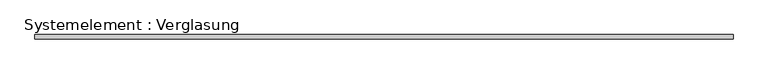
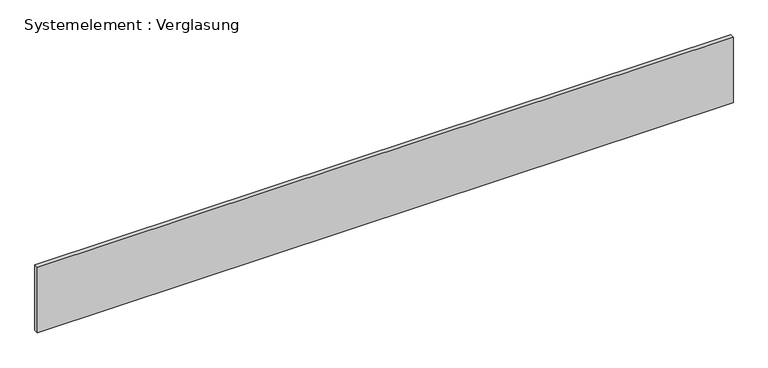
"""IFC4 building model written with IfcOpenShell, lengths in millimetres: plate geometry, Systemelement : Verglasung."""

import ifcopenshell
import ifcopenshell.guid

model = None  # the IFC model being written
_history = None  # IfcOwnerHistory: only IFC2X3 demands one
_inside = {}  # id of a spatial element -> (the spatial element, [elements in it])
_under = {}  # id of a project, library or spatial element -> (it, [spatial elements below it])
_declared = {}  # id of a project -> (the project, [libraries it declares])
_typed = {}  # id of a type object -> (the type object, [elements of that type])
_made_of = {}  # id of a material, layer set ... -> (it, [elements and type objects made of it])


def new_model(schema):
    """Start an empty IFC model of exactly this schema.

    Asked for "IFC4X3", IfcOpenShell would pick the latest addendum, in which some entities
    have other attributes; the version numbers below select the first issue.
    IFC2X3 requires an IfcOwnerHistory on every rooted entity: one is made here for all.
    """
    global model, _history
    if schema == "IFC4X3":
        model = ifcopenshell.file(schema_version=(4, 3, 0, 0))
    else:
        model = ifcopenshell.file(schema=schema)
    _inside.clear()
    _under.clear()
    _declared.clear()
    _typed.clear()
    _made_of.clear()
    _history = None
    if model.schema == "IFC2X3":
        org = make("IfcOrganization", Name="unknown")
        user = make(
            "IfcPersonAndOrganization",
            ThePerson=make("IfcPerson", FamilyName="unknown"),
            TheOrganization=org,
        )
        app = make(
            "IfcApplication",
            ApplicationDeveloper=org,
            Version="unknown",
            ApplicationFullName="unknown",
            ApplicationIdentifier="unknown",
        )
        _history = make(
            "IfcOwnerHistory",
            OwningUser=user,
            OwningApplication=app,
            ChangeAction="ADDED",
            CreationDate=0,
        )
    return model


def make(cls, **values):
    """One entity of the class cls with the attributes given. An attribute that is None is left unset."""
    return model.create_entity(
        cls, **{name: value for name, value in values.items() if value is not None}
    )


def rooted(cls, **values):
    """An entity with a GlobalId (a new one), such as an element, a storey or a relation."""
    return make(cls, GlobalId=ifcopenshell.guid.new(), OwnerHistory=_history, **values)


def si_unit(unit_type, name, prefix=None):
    """IfcSIUnit, for example si_unit("LENGTHUNIT", "METRE", prefix="MILLI")."""
    return make("IfcSIUnit", UnitType=unit_type, Prefix=prefix, Name=name)


def assignment(units):
    """IfcUnitAssignment: the units of a project."""
    return None if units is None else make("IfcUnitAssignment", Units=units)


def point(xyz):
    """IfcCartesianPoint."""
    return None if xyz is None else make("IfcCartesianPoint", Coordinates=xyz)


def direction(xyz):
    """IfcDirection."""
    return None if xyz is None else make("IfcDirection", DirectionRatios=xyz)


def frame(location, z_axis=None, x_axis=None):
    """IfcAxis2Placement3D, a coordinate frame: its origin and axes. An axis left out is left unset."""
    return make(
        "IfcAxis2Placement3D",
        Location=point(location),
        Axis=direction(z_axis),
        RefDirection=direction(x_axis),
    )


def origin():
    """The frame at (0, 0, 0) with its axes left unset."""
    return frame((0.0, 0.0, 0.0))


def origin_with_axes():
    """The frame at (0, 0, 0) with the z axis (0, 0, 1) and the x axis (1, 0, 0) written out."""
    return frame((0.0, 0.0, 0.0), z_axis=(0.0, 0.0, 1.0), x_axis=(1.0, 0.0, 0.0))


def place(relative_to, where):
    """IfcLocalPlacement: puts the frame where relative to a parent placement (None: the world)."""
    return make(
        "IfcLocalPlacement", PlacementRelTo=relative_to, RelativePlacement=where
    )


def context(
    kind, dimensions, precision=None, world=None, true_north=None, identifier=None
):
    """IfcGeometricRepresentationContext, for example the 3D "Model" context."""
    return make(
        "IfcGeometricRepresentationContext",
        ContextIdentifier=identifier,
        ContextType=kind,
        CoordinateSpaceDimension=dimensions,
        Precision=precision,
        WorldCoordinateSystem=world,
        TrueNorth=true_north,
    )


def project(units=None, contexts=None):
    """IfcProject with its units and contexts."""
    return rooted(
        "IfcProject",
        Name="project",
        RepresentationContexts=contexts,
        UnitsInContext=assignment(units),
    )


def spatial(cls, under=None, at=None, **own):
    """A site, building, storey or space (cls), placed at a placement, below another one or the project."""
    s = rooted(cls, ObjectPlacement=at, **own)
    if under is not None:
        _under.setdefault(under.id(), (under, []))[1].append(s)
    return s


def polyline(points):
    """IfcPolyline through the points."""
    return make("IfcPolyline", Points=[point(p) for p in points])


def outline(outer, holes=None, kind="AREA"):
    """IfcArbitraryClosedProfileDef: a profile drawn as a closed curve; with holes, ...WithVoids."""
    if holes is None:
        return make("IfcArbitraryClosedProfileDef", ProfileType=kind, OuterCurve=outer)
    return make(
        "IfcArbitraryProfileDefWithVoids",
        ProfileType=kind,
        OuterCurve=outer,
        InnerCurves=holes,
    )


def extrude(swept, where, along, depth):
    """IfcExtrudedAreaSolid: the profile swept, set in the frame where, extruded along a direction by depth."""
    return make(
        "IfcExtrudedAreaSolid",
        SweptArea=swept,
        Position=where,
        ExtrudedDirection=direction(along),
        Depth=depth,
    )


def shape(context_of_items, identifier, shape_type, items):
    """IfcShapeRepresentation: the items that make up one representation, for example the "Body"."""
    return make(
        "IfcShapeRepresentation",
        ContextOfItems=context_of_items,
        RepresentationIdentifier=identifier,
        RepresentationType=shape_type,
        Items=items,
    )


def source(mapping_origin, context_of_items, identifier, shape_type, items):
    """IfcRepresentationMap: a shape defined once, which mapped items show again and again."""
    return make(
        "IfcRepresentationMap",
        MappingOrigin=mapping_origin,
        MappedRepresentation=shape(context_of_items, identifier, shape_type, items),
    )


def transform(
    local_origin,
    x_axis=None,
    y_axis=None,
    z_axis=None,
    scale=None,
    scale2=None,
    scale3=None,
    uniform=True,
):
    """IfcCartesianTransformationOperator3D, or its non-uniform kind. x_axis, y_axis, z_axis: its Axis1, 2, 3."""
    if uniform:
        return make(
            "IfcCartesianTransformationOperator3D",
            Axis1=direction(x_axis),
            Axis2=direction(y_axis),
            LocalOrigin=point(local_origin),
            Scale=scale,
            Axis3=direction(z_axis),
        )
    return make(
        "IfcCartesianTransformationOperator3DnonUniform",
        Axis1=direction(x_axis),
        Axis2=direction(y_axis),
        LocalOrigin=point(local_origin),
        Scale=scale,
        Axis3=direction(z_axis),
        Scale2=scale2,
        Scale3=scale3,
    )


def mapped(mapping_source, mapping_target):
    """IfcMappedItem: shows the shape of a source again, moved by a transform."""
    return make(
        "IfcMappedItem", MappingSource=mapping_source, MappingTarget=mapping_target
    )


def made_of(thing, what):
    """Note that an element or type object is made of a material, layer set ...; save() writes the relation."""
    if what is not None:
        _made_of.setdefault(what.id(), (what, []))[1].append(thing)
    return thing


def element(
    cls,
    number,
    at=None,
    inside=None,
    cuts=None,
    type_object=None,
    material=None,
    context=None,
    identifier="Body",
    shape_type=None,
    held_by="IfcProductDefinitionShape",
    body=None,
    shapes=None,
    **own,
):
    """One element of the class cls, such as IfcWall. Its Tag is "e" and its number.

    at: its placement. inside: the storey or other place that contains it. cuts: it is an
    opening in that element (IfcRelVoidsElement). A single representation is given by context,
    identifier, shape_type and body (its items); several are given by shapes. held_by: the class
    of the entity that holds the representations. save() writes the other relations.
    """
    e = rooted(cls, Tag="e%d" % number, ObjectPlacement=at, **own)
    if body is not None:
        shapes = [shape(context, identifier, shape_type, body)]
    if shapes is not None:
        e.Representation = make(held_by, Representations=shapes)
    if inside is not None:
        _inside.setdefault(inside.id(), (inside, []))[1].append(e)
    if cuts is not None:
        rooted(
            "IfcRelVoidsElement", RelatingBuildingElement=cuts, RelatedOpeningElement=e
        )
    if type_object is not None:
        _typed.setdefault(type_object.id(), (type_object, []))[1].append(e)
    return made_of(e, material)


def aggregate(whole, parts):
    """IfcRelAggregates: a whole, such as a stair, and the parts it consists of."""
    return rooted("IfcRelAggregates", RelatingObject=whole, RelatedObjects=parts)


def save(model, path):
    """Write the relations noted so far, then the file.

    IfcRelAggregates (storeys below a building ...), IfcRelContainedInSpatialStructure (elements
    in a storey), IfcRelDefinesByType, IfcRelAssociatesMaterial and IfcRelDeclares: one each for
    every whole, place, type object, material and project.
    """
    for whole, parts in _under.values():
        aggregate(whole, parts)
    for where, things in _inside.values():
        rooted(
            "IfcRelContainedInSpatialStructure",
            RelatedElements=things,
            RelatingStructure=where,
        )
    for kind, things in _typed.values():
        rooted("IfcRelDefinesByType", RelatedObjects=things, RelatingType=kind)
    for what, things in _made_of.values():
        rooted("IfcRelAssociatesMaterial", RelatedObjects=things, RelatingMaterial=what)
    for by, libraries in _declared.values():
        rooted("IfcRelDeclares", RelatingContext=by, RelatedDefinitions=libraries)
    model.write(path)


def systemelement_verglasung_2ce12d81(model_context):
    return source(origin(), model_context, "Body", "SweptSolid", [
        extrude(outline(polyline([(2479.9999997, -15.0), (-2479.9999997, -15.0), (-2479.9999997, 15.0), (2479.9999997, 15.0), (2479.9999997, -15.0)])), origin_with_axes(), (0.0, 0.0, 1.0), 495.0),
    ])


if __name__ == "__main__":
    model = new_model("IFC4")
    model_context = context("Model", 3, world=origin())
    ifc_project = project(units=[si_unit("LENGTHUNIT", "METRE", prefix="MILLI")], contexts=[model_context])
    site = spatial("IfcSite", under=ifc_project)
    building = spatial("IfcBuilding", under=site)
    placement = place(None, origin())
    systemelement_verglasung_shape = systemelement_verglasung_2ce12d81(model_context)
    element("IfcPlate", 1, ObjectType="Systemelement : Verglasung", at=placement, inside=building, context=model_context, shape_type="MappedRepresentation", body=[
        mapped(systemelement_verglasung_shape, transform((0.0, 0.0, 0.0), x_axis=(1.0, 0.0, 0.0), y_axis=(0.0, 1.0, 0.0), z_axis=(0.0, 0.0, 1.0))),
    ])
    save(model, "model.ifc")
